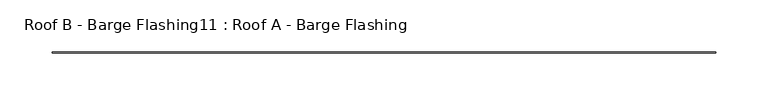
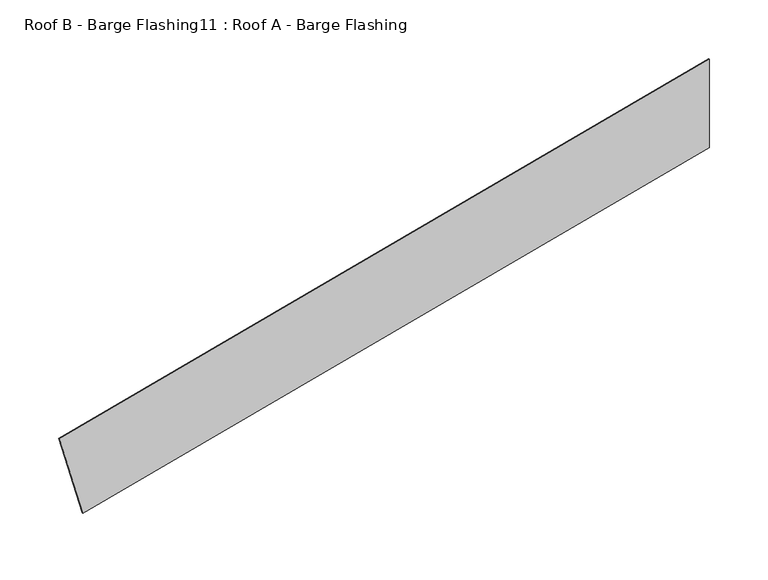
"""IFC4 building model written with IfcOpenShell, lengths in millimetres: proxy geometry, Roof B - Barge Flashing11 : Roof A - Barge Flashing."""

from ifc_helpers import new_model, si_unit, frame, origin, place, context, project, spatial, polyline, outline, extrude, source, transform, mapped, element, save


def roof_b_barge_flashing11_roof_a_barge_flashing_161718e9(model_context):
    return source(origin(), model_context, "Body", "SweptSolid", [
        extrude(outline(polyline([(3104.9240279, 45458.2254625), (3019.6086293, 45481.0856546), (3184.2197316, 46095.4226519), (3275.6605003, 46095.4226519), (3104.9240279, 45458.2254625)])), frame((0.0, -3322.1300754, 0.0), z_axis=(0.0, 1.0, 0.0), x_axis=(0.0, 0.0, 1.0)), (0.0, 0.0, 1.0), 1.0),
    ])


if __name__ == "__main__":
    model = new_model("IFC4")
    model_context = context("Model", 3, world=origin())
    ifc_project = project(units=[si_unit("LENGTHUNIT", "METRE", prefix="MILLI")], contexts=[model_context])
    site = spatial("IfcSite", under=ifc_project)
    building = spatial("IfcBuilding", under=site)
    placement = place(None, origin())
    roof_b_barge_flashing11_roof_a_barge_flashing_shape = roof_b_barge_flashing11_roof_a_barge_flashing_161718e9(model_context)
    element("IfcBuildingElementProxy", 1, Name="Roof B - Barge Flashing11 : Roof A - Barge Flashing", ObjectType="Roof B - Barge Flashing11 : Roof A - Barge Flashing", at=placement, inside=building, context=model_context, shape_type="MappedRepresentation", body=[
        mapped(roof_b_barge_flashing11_roof_a_barge_flashing_shape, transform((0.0, 0.0, 0.0), x_axis=(1.0, 0.0, 0.0), y_axis=(0.0, 1.0, 0.0), z_axis=(0.0, 0.0, 1.0))),
    ])
    save(model, "model.ifc")
